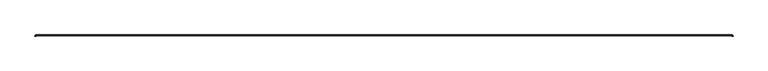
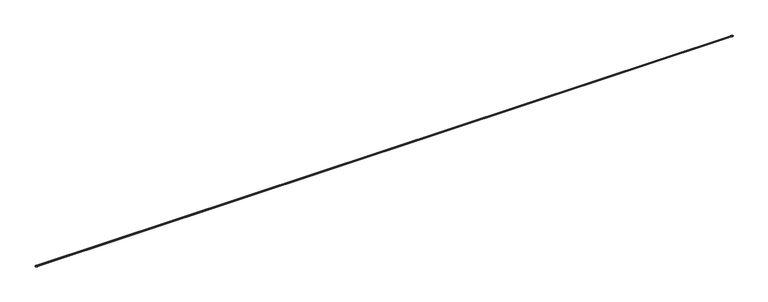
"""IFC4 building model written with IfcOpenShell, lengths in millimetres: railing geometry."""

from ifc_helpers import new_model, si_unit, point, frame, origin, place, context, project, spatial, polyline, circle_curve, ellipse_curve, trimmed, source, transform, mapped, element, save
from ifc_brep_helpers import plane_surface, cylinder_surface, revolved_surface, advanced_brep


def railing_9a63645b(model_context):
    return source(origin(), model_context, "Body", "AdvancedBrep", [
        advanced_brep(
        [(-23693.5336281, 84016.0821177, 686.9161888), (-23693.5336281, 84016.0821177, 684.62319), (-41981.5336281, 84016.0821177, 684.62319), (-41981.5336281, 84016.0821177, 686.9161888), (-23693.5336281, 84014.5577054, 686.9161888), (-41981.5336281, 84014.5577054, 686.9161888), (-23693.5336281, 84014.5577054, 684.7057909), (-41981.5336281, 84014.5577054, 684.7057909), (-23693.5336281, 84016.2867345, 683.110316), (-41981.5336281, 84016.2867345, 683.110316), (-23693.5336281, 84031.545755, 684.3382891), (-41981.5336281, 84031.545755, 684.3382891), (-23693.5336281, 84031.545755, 709.9720269), (-41981.5336281, 84031.545755, 709.9720269), (-23693.5336281, 84016.2867345, 711.2), (-41981.5336281, 84016.2867345, 711.2), (-23693.5336281, 84014.5577054, 709.6045251), (-41981.5336281, 84014.5577054, 709.6045251), (-23693.5336281, 84014.5577054, 707.3941273), (-41981.5336281, 84014.5577054, 707.3941273), (-23693.5336281, 84016.0821177, 707.3941273), (-41981.5336281, 84016.0821177, 707.3941273), (-23693.5336281, 84016.0821177, 709.687126), (-41981.5336281, 84016.0821177, 709.687126), (-23693.5336281, 84031.4079979, 708.4537724), (-41981.5336281, 84031.4079979, 708.4537724), (-23693.5336281, 84031.4079979, 685.8565437), (-41981.5336281, 84031.4079979, 685.8565437), (-23691.0668467, 84013.6153363, 709.687126), (-23691.0668467, 84013.6153363, 707.3941273), (-23675.7409665, 84013.6153363, 708.4537724), (-23675.7409665, 84013.6153363, 685.8565437), (-23691.0668467, 84013.6153363, 684.62319), (-23691.0668467, 84013.6153363, 686.9161888), (-23692.591259, 84013.6153363, 686.9161888), (-23692.591259, 84013.6153363, 684.7057909), (-23690.8622299, 84013.6153363, 683.110316), (-23675.6032094, 84013.6153363, 684.3382891), (-23675.6032094, 84013.6153363, 709.9720269), (-23690.8622299, 84013.6153363, 711.2), (-23692.591259, 84013.6153363, 709.6045251), (-23692.591259, 84013.6153363, 707.3941273), (-41984.0004095, 84013.6153363, 709.687126), (-41984.0004095, 84013.6153363, 707.3941273), (-41999.3262897, 84013.6153363, 708.4537724), (-41999.3262897, 84013.6153363, 685.8565437), (-41984.0004095, 84013.6153363, 684.62319), (-41984.0004095, 84013.6153363, 686.9161888), (-41982.4759972, 84013.6153363, 686.9161888), (-41982.4759972, 84013.6153363, 684.7057909), (-41984.2050263, 84013.6153363, 683.110316), (-41999.4640468, 84013.6153363, 684.3382891), (-41999.4640468, 84013.6153363, 709.9720269), (-41984.2050263, 84013.6153363, 711.2), (-41982.4759972, 84013.6153363, 709.6045251), (-41982.4759972, 84013.6153363, 707.3941273)],
        [
            (0, 1),
            (1, 2),
            (2, 3),
            (3, 0),
            (4, 0, circle_curve(frame((-23693.5336281, 84015.3199115, 686.9161888), z_axis=(-1.0, 0.0, 0.0), x_axis=(0.0, 1.0, 0.0)), 0.7622061)),
            (3, 5, circle_curve(frame((-41981.5336281, 84015.3199115, 686.9161888), z_axis=(1.0, 0.0, 0.0), x_axis=(0.0, 1.0, 0.0)), 0.7622061)),
            (5, 4),
            (6, 4),
            (5, 7),
            (7, 6),
            (8, 6, circle_curve(frame((-23693.5336281, 84016.1583383, 684.7057909), z_axis=(-1.0, 0.0, 0.0), x_axis=(0.0, 1.0, 0.0)), 1.6006329)),
            (7, 9, circle_curve(frame((-41981.5336281, 84016.1583383, 684.7057909), z_axis=(1.0, 0.0, 0.0), x_axis=(0.0, 1.0, 0.0)), 1.6006329)),
            (9, 8),
            (10, 8),
            (9, 11),
            (11, 10),
            (12, 10, circle_curve(frame((-23693.5336281, 84030.259152, 697.155158), z_axis=(-1.0, 0.0, 0.0), x_axis=(0.0, 1.0, 0.0)), 12.8812839)),
            (11, 13, circle_curve(frame((-41981.5336281, 84030.259152, 697.155158), z_axis=(1.0, 0.0, 0.0), x_axis=(0.0, 1.0, 0.0)), 12.8812839)),
            (13, 12),
            (14, 12),
            (13, 15),
            (15, 14),
            (16, 14, circle_curve(frame((-23693.5336281, 84016.1583383, 709.6045251), z_axis=(-1.0, 0.0, 0.0), x_axis=(0.0, 1.0, 0.0)), 1.6006329)),
            (15, 17, circle_curve(frame((-41981.5336281, 84016.1583383, 709.6045251), z_axis=(1.0, 0.0, 0.0), x_axis=(0.0, 1.0, 0.0)), 1.6006329)),
            (17, 16),
            (18, 16),
            (17, 19),
            (19, 18),
            (20, 18, circle_curve(frame((-23693.5336281, 84015.3199115, 707.3941273), z_axis=(-1.0, 0.0, 0.0), x_axis=(0.0, 1.0, 0.0)), 0.7622061)),
            (19, 21, circle_curve(frame((-41981.5336281, 84015.3199115, 707.3941273), z_axis=(1.0, 0.0, 0.0), x_axis=(0.0, 1.0, 0.0)), 0.7622061)),
            (21, 20),
            (22, 20),
            (21, 23),
            (23, 22),
            (24, 22),
            (23, 25),
            (25, 24),
            (26, 24, circle_curve(frame((-23693.5336281, 84030.259152, 697.155158), z_axis=(1.0, 0.0, 0.0), x_axis=(0.0, 1.0, 0.0)), 11.3568716)),
            (25, 27, circle_curve(frame((-41981.5336281, 84030.259152, 697.155158), z_axis=(-1.0, 0.0, 0.0), x_axis=(0.0, 1.0, 0.0)), 11.3568716)),
            (27, 26),
            (1, 26),
            (27, 2),
            (22, 28, circle_curve(frame((-23693.5336281, 84013.6153363, 709.687126), z_axis=(0.0, 0.0, -1.0), x_axis=(1.0, 6.173170795347768e-11, 0.0)), 2.4667814)),
            (28, 29),
            (29, 20, circle_curve(frame((-23693.5336281, 84013.6153363, 707.3941273), z_axis=(0.0, 0.0, 1.0), x_axis=(1.0, 6.173170795347768e-11, 0.0)), 2.4667814)),
            (24, 30, circle_curve(frame((-23693.5336281, 84013.6153363, 708.4537724), z_axis=(0.0, 0.0, -1.0), x_axis=(1.0, 6.173170795347768e-11, 0.0)), 17.7926616)),
            (30, 28),
            (26, 31, circle_curve(frame((-23693.5336281, 84013.6153363, 685.8565437), z_axis=(0.0, 0.0, -1.0), x_axis=(1.0, 6.173170795347768e-11, 0.0)), 17.7926616)),
            (31, 30, circle_curve(frame((-23676.8898123, 84013.6153363, 697.155158), z_axis=(6.173170795347768e-11, -1.0, 0.0), x_axis=(1.0, 6.173170795347768e-11, 0.0)), 11.3568716)),
            (1, 32, circle_curve(frame((-23693.5336281, 84013.6153363, 684.62319), z_axis=(0.0, 0.0, -1.0), x_axis=(1.0, 6.173170795347768e-11, 0.0)), 2.4667814)),
            (32, 31),
            (0, 33, circle_curve(frame((-23693.5336281, 84013.6153363, 686.9161888), z_axis=(0.0, 0.0, -1.0), x_axis=(1.0, 6.173170795347768e-11, 0.0)), 2.4667814)),
            (33, 32),
            (4, 34, circle_curve(frame((-23693.5336281, 84013.6153363, 686.9161888), z_axis=(0.0, 0.0, -1.0), x_axis=(1.0, 6.173170795347768e-11, 0.0)), 0.9423691)),
            (34, 33, circle_curve(frame((-23691.8290529, 84013.6153363, 686.9161888), z_axis=(-6.173170795347768e-11, 1.0, 0.0), x_axis=(1.0, 6.173170795347768e-11, 0.0)), 0.7622061)),
            (6, 35, circle_curve(frame((-23693.5336281, 84013.6153363, 684.7057909), z_axis=(0.0, 0.0, -1.0), x_axis=(1.0, 6.173170795347768e-11, 0.0)), 0.9423691)),
            (35, 34),
            (8, 36, circle_curve(frame((-23693.5336281, 84013.6153363, 683.110316), z_axis=(0.0, 0.0, -1.0), x_axis=(1.0, 6.173170795347768e-11, 0.0)), 2.6713982)),
            (36, 35, circle_curve(frame((-23690.9906261, 84013.6153363, 684.7057909), z_axis=(-6.173170795347768e-11, 1.0, 0.0), x_axis=(1.0, 6.173170795347768e-11, 0.0)), 1.6006329)),
            (10, 37, circle_curve(frame((-23693.5336281, 84013.6153363, 684.3382891), z_axis=(0.0, 0.0, -1.0), x_axis=(1.0, 6.173170795347768e-11, 0.0)), 17.9304187)),
            (37, 36),
            (12, 38, circle_curve(frame((-23693.5336281, 84013.6153363, 709.9720269), z_axis=(0.0, 0.0, -1.0), x_axis=(1.0, 6.173170795347768e-11, 0.0)), 17.9304187)),
            (38, 37, circle_curve(frame((-23676.8898123, 84013.6153363, 697.155158), z_axis=(-6.173170795347768e-11, 1.0, 0.0), x_axis=(1.0, 6.173170795347768e-11, 0.0)), 12.8812839)),
            (14, 39, circle_curve(frame((-23693.5336281, 84013.6153363, 711.2), z_axis=(0.0, 0.0, -1.0), x_axis=(1.0, 6.173170795347768e-11, 0.0)), 2.6713982)),
            (39, 38),
            (16, 40, circle_curve(frame((-23693.5336281, 84013.6153363, 709.6045251), z_axis=(0.0, 0.0, -1.0), x_axis=(1.0, 6.173170795347768e-11, 0.0)), 0.9423691)),
            (40, 39, circle_curve(frame((-23690.9906261, 84013.6153363, 709.6045251), z_axis=(-6.173170795347768e-11, 1.0, 0.0), x_axis=(1.0, 6.173170795347768e-11, 0.0)), 1.6006329)),
            (18, 41, circle_curve(frame((-23693.5336281, 84013.6153363, 707.3941273), z_axis=(0.0, 0.0, -1.0), x_axis=(1.0, 6.173170795347768e-11, 0.0)), 0.9423691)),
            (41, 40),
            (29, 41, circle_curve(frame((-23691.8290529, 84013.6153363, 707.3941273), z_axis=(-6.173170795347768e-11, 1.0, 0.0), x_axis=(1.0, 6.173170795347768e-11, 0.0)), 0.7622061)),
            (42, 23, circle_curve(frame((-41981.5336281, 84013.6153363, 709.687126), z_axis=(0.0, 0.0, -1.0), x_axis=(0.0, 1.0, 0.0)), 2.4667814)),
            (21, 43, circle_curve(frame((-41981.5336281, 84013.6153363, 707.3941273), z_axis=(0.0, 0.0, 1.0), x_axis=(0.0, 1.0, 0.0)), 2.4667814)),
            (43, 42),
            (44, 25, circle_curve(frame((-41981.5336281, 84013.6153363, 708.4537724), z_axis=(0.0, 0.0, -1.0), x_axis=(0.0, 1.0, 0.0)), 17.7926616)),
            (42, 44),
            (45, 27, circle_curve(frame((-41981.5336281, 84013.6153363, 685.8565437), z_axis=(0.0, 0.0, -1.0), x_axis=(0.0, 1.0, 0.0)), 17.7926616)),
            (44, 45, circle_curve(frame((-41998.1774438, 84013.6153363, 697.155158), z_axis=(-6.23209376397786e-11, -1.0, 0.0), x_axis=(-1.0, 6.23209376397786e-11, 0.0)), 11.3568716)),
            (46, 2, circle_curve(frame((-41981.5336281, 84013.6153363, 684.62319), z_axis=(0.0, 0.0, -1.0), x_axis=(0.0, 1.0, 0.0)), 2.4667814)),
            (45, 46),
            (47, 3, circle_curve(frame((-41981.5336281, 84013.6153363, 686.9161888), z_axis=(0.0, 0.0, -1.0), x_axis=(0.0, 1.0, 0.0)), 2.4667814)),
            (46, 47),
            (48, 5, circle_curve(frame((-41981.5336281, 84013.6153363, 686.9161888), z_axis=(0.0, 0.0, -1.0), x_axis=(0.0, 1.0, 0.0)), 0.9423691)),
            (47, 48, circle_curve(frame((-41983.2382033, 84013.6153363, 686.9161888), z_axis=(6.321311286236737e-11, 1.0, 0.0), x_axis=(-1.0, 6.321311286236737e-11, 0.0)), 0.7622061)),
            (49, 7, circle_curve(frame((-41981.5336281, 84013.6153363, 684.7057909), z_axis=(0.0, 0.0, -1.0), x_axis=(0.0, 1.0, 0.0)), 0.9423691)),
            (48, 49),
            (50, 9, circle_curve(frame((-41981.5336281, 84013.6153363, 683.110316), z_axis=(0.0, 0.0, -1.0), x_axis=(0.0, 1.0, 0.0)), 2.6713982)),
            (49, 50, circle_curve(frame((-41984.0766301, 84013.6153363, 684.7057909), z_axis=(7.354173970506013e-11, 1.0, 0.0), x_axis=(-1.0, 7.354173970506013e-11, 0.0)), 1.6006329)),
            (51, 11, circle_curve(frame((-41981.5336281, 84013.6153363, 684.3382891), z_axis=(0.0, 0.0, -1.0), x_axis=(0.0, 1.0, 0.0)), 17.9304187)),
            (50, 51),
            (52, 13, circle_curve(frame((-41981.5336281, 84013.6153363, 709.9720269), z_axis=(0.0, 0.0, -1.0), x_axis=(0.0, 1.0, 0.0)), 17.9304187)),
            (51, 52, circle_curve(frame((-41998.1774438, 84013.6153363, 697.155158), z_axis=(6.184220947156023e-11, 1.0, 0.0), x_axis=(-1.0, 6.184220947156023e-11, 0.0)), 12.8812839)),
            (53, 15, circle_curve(frame((-41981.5336281, 84013.6153363, 711.2), z_axis=(0.0, 0.0, -1.0), x_axis=(0.0, 1.0, 0.0)), 2.6713982)),
            (52, 53),
            (54, 17, circle_curve(frame((-41981.5336281, 84013.6153363, 709.6045251), z_axis=(0.0, 0.0, -1.0), x_axis=(0.0, 1.0, 0.0)), 0.9423691)),
            (53, 54, circle_curve(frame((-41984.0766301, 84013.6153363, 709.6045251), z_axis=(6.485690907262738e-11, 1.0, 0.0), x_axis=(-1.0, 6.485690907262738e-11, 0.0)), 1.6006329)),
            (55, 19, circle_curve(frame((-41981.5336281, 84013.6153363, 707.3941273), z_axis=(0.0, 0.0, -1.0), x_axis=(0.0, 1.0, 0.0)), 0.9423691)),
            (54, 55),
            (55, 43, circle_curve(frame((-41983.2382033, 84013.6153363, 707.3941273), z_axis=(7.354173970506013e-11, 1.0, 0.0), x_axis=(-1.0, 7.354173970506013e-11, 0.0)), 0.7622061)),
        ],
        [
            plane_surface(frame((-23693.5336281, 84016.0821177, 684.62319), z_axis=(0.0, 1.0, 0.0), x_axis=(-1.0, 0.0, 0.0))),
            cylinder_surface(frame((-23693.5336281, 84015.3199115, 686.9161888), z_axis=(1.0, 0.0, 0.0), x_axis=(0.0, 1.0, 0.0)), 0.7622061),
            plane_surface(frame((-23693.5336281, 84014.5577054, 686.9161888), z_axis=(0.0, -1.0, 0.0), x_axis=(-1.0, 0.0, 0.0))),
            cylinder_surface(frame((-23693.5336281, 84016.1583383, 684.7057909), z_axis=(1.0, 0.0, 0.0), x_axis=(0.0, 1.0, 0.0)), 1.6006329),
            plane_surface(frame((-23693.5336281, 84016.2867345, 683.110316), z_axis=(0.0, 0.0802158941392361, -0.9967775129523353), x_axis=(-1.0, 0.0, 0.0))),
            cylinder_surface(frame((-23693.5336281, 84030.259152, 697.155158), z_axis=(1.0, 0.0, 0.0), x_axis=(0.0, 1.0, 0.0)), 12.8812839),
            plane_surface(frame((-23693.5336281, 84031.545755, 709.9720269), z_axis=(0.0, 0.08021589413923204, 0.9967775129523356), x_axis=(-1.0, 0.0, 0.0))),
            cylinder_surface(frame((-23693.5336281, 84016.1583383, 709.6045251), z_axis=(1.0, 0.0, 0.0), x_axis=(0.0, 1.0, 0.0)), 1.6006329),
            plane_surface(frame((-23693.5336281, 84014.5577054, 709.6045251), z_axis=(0.0, -1.0, 0.0), x_axis=(-1.0, 0.0, 0.0))),
            cylinder_surface(frame((-23693.5336281, 84015.3199115, 707.3941273), z_axis=(1.0, 0.0, 0.0), x_axis=(0.0, 1.0, 0.0)), 0.7622061),
            plane_surface(frame((-23693.5336281, 84016.0821177, 707.3941273), z_axis=(0.0, 1.0, 0.0), x_axis=(-1.0, 0.0, 0.0))),
            plane_surface(frame((-23693.5336281, 84016.0821177, 709.687126), z_axis=(0.0, -0.08021589413923706, -0.9967775129523353), x_axis=(-1.0, 0.0, 0.0))),
            revolved_surface(polyline([(-41981.5336281, 84041.6160236, 697.155158), (-23693.5336281, 84041.6160236, 697.155158)]), (-23693.5336281, 84030.259152, 697.155158), (-1.0, 0.0, 0.0)),
            plane_surface(frame((-23693.5336281, 84031.4079979, 685.8565437), z_axis=(0.0, -0.08021589413924558, 0.9967775129523345), x_axis=(-1.0, 0.0, 0.0))),
            cylinder_surface(frame((-23693.5336281, 84013.6153363, 711.2), z_axis=(0.0, 0.0, 1.0), x_axis=(1.0, 6.173170795347768e-11, 0.0)), 2.4667814),
            revolved_surface(polyline([(-23691.0668467, 84013.6153363, 709.687126), (-23675.7409665, 84013.6153363, 708.4537724)]), (-23693.5336281, 84013.6153363, 711.2), (0.0, 0.0, 1.0)),
            revolved_surface(trimmed(ellipse_curve(frame((-23676.8898123, 84013.6153363, 697.155158), z_axis=(-6.173170795347768e-11, 1.0, 0.0), x_axis=(1.0, 6.173170795347768e-11, 0.0)), 11.3568716, 11.3568716), [point((-23675.7409665, 84013.6153363, 708.4537724))], [point((-23675.7409665, 84013.6153363, 685.8565437))], True, "CARTESIAN"), (-23693.5336281, 84013.6153363, 711.2), (0.0, 0.0, 1.0)),
            revolved_surface(polyline([(-23675.7409665, 84013.6153363, 685.8565437), (-23691.0668467, 84013.6153363, 684.62319)]), (-23693.5336281, 84013.6153363, 711.2), (0.0, 0.0, 1.0)),
            revolved_surface(trimmed(ellipse_curve(frame((-23691.8290529, 84013.6153363, 686.9161888), z_axis=(6.173170795347768e-11, -1.0, 0.0), x_axis=(1.0, 6.173170795347768e-11, 0.0)), 0.7622061, 0.7622061), [point((-23691.0668467, 84013.6153363, 686.9161888))], [point((-23692.591259, 84013.6153363, 686.9161888))], True, "CARTESIAN"), (-23693.5336281, 84013.6153363, 711.2), (0.0, 0.0, 1.0)),
            revolved_surface(polyline([(-23692.591259, 84013.61533630006, 686.9161888), (-23692.591259, 84013.61533630006, 684.7057909)]), (-23693.5336281, 84013.6153363, 711.2), (0.0, 0.0, 1.0)),
            revolved_surface(trimmed(ellipse_curve(frame((-23690.9906261, 84013.6153363, 684.7057909), z_axis=(6.173170795347768e-11, -1.0, 0.0), x_axis=(1.0, 6.173170795347768e-11, 0.0)), 1.6006329, 1.6006329), [point((-23692.591259, 84013.6153363, 684.7057909))], [point((-23690.8622299, 84013.6153363, 683.110316))], True, "CARTESIAN"), (-23693.5336281, 84013.6153363, 711.2), (0.0, 0.0, 1.0)),
            revolved_surface(polyline([(-23690.8622299, 84013.6153363, 683.110316), (-23675.6032094, 84013.6153363, 684.3382891)]), (-23693.5336281, 84013.6153363, 711.2), (0.0, 0.0, 1.0)),
            revolved_surface(trimmed(ellipse_curve(frame((-23676.8898123, 84013.6153363, 697.155158), z_axis=(6.173170795347768e-11, -1.0, 0.0), x_axis=(1.0, 6.173170795347768e-11, 0.0)), 12.8812839, 12.8812839), [point((-23675.6032094, 84013.6153363, 684.3382891))], [point((-23675.6032094, 84013.6153363, 709.9720269))], True, "CARTESIAN"), (-23693.5336281, 84013.6153363, 711.2), (0.0, 0.0, 1.0)),
            revolved_surface(polyline([(-23675.6032094, 84013.6153363, 709.9720269), (-23690.8622299, 84013.6153363, 711.2)]), (-23693.5336281, 84013.6153363, 711.2), (0.0, 0.0, 1.0)),
            revolved_surface(trimmed(ellipse_curve(frame((-23690.9906261, 84013.6153363, 709.6045251), z_axis=(6.173170795347768e-11, -1.0, 0.0), x_axis=(1.0, 6.173170795347768e-11, 0.0)), 1.6006329, 1.6006329), [point((-23690.8622299, 84013.6153363, 711.2))], [point((-23692.591259, 84013.6153363, 709.6045251))], True, "CARTESIAN"), (-23693.5336281, 84013.6153363, 711.2), (0.0, 0.0, 1.0)),
            revolved_surface(polyline([(-23692.591259, 84013.61533630006, 709.6045251), (-23692.591259, 84013.61533630006, 707.3941273)]), (-23693.5336281, 84013.6153363, 711.2), (0.0, 0.0, 1.0)),
            revolved_surface(trimmed(ellipse_curve(frame((-23691.8290529, 84013.6153363, 707.3941273), z_axis=(6.173170795347768e-11, -1.0, 0.0), x_axis=(1.0, 6.173170795347768e-11, 0.0)), 0.7622061, 0.7622061), [point((-23692.591259, 84013.6153363, 707.3941273))], [point((-23691.0668467, 84013.6153363, 707.3941273))], True, "CARTESIAN"), (-23693.5336281, 84013.6153363, 711.2), (0.0, 0.0, 1.0)),
            plane_surface(frame((-23692.9723621, 84013.6153363, 711.2), z_axis=(6.173170795347768e-11, -1.0, 0.0), x_axis=(0.0, 0.0, 1.0))),
            cylinder_surface(frame((-41981.5336281, 84013.6153363, 711.2), z_axis=(0.0, 0.0, 1.0), x_axis=(0.0, 1.0, 0.0)), 2.4667814),
            revolved_surface(polyline([(-41981.5336281, 84016.0821177, 709.687126), (-41981.5336281, 84031.4079979, 708.4537724)]), (-41981.5336281, 84013.6153363, 711.2), (0.0, 0.0, 1.0)),
            revolved_surface(trimmed(ellipse_curve(frame((-41981.5336281, 84030.259152, 697.155158), z_axis=(-1.0, 0.0, 0.0), x_axis=(0.0, 1.0, 0.0)), 11.3568716, 11.3568716), [point((-41981.5336281, 84031.4079979, 708.4537724))], [point((-41981.5336281, 84031.4079979, 685.8565437))], True, "CARTESIAN"), (-41981.5336281, 84013.6153363, 711.2), (0.0, 0.0, 1.0)),
            revolved_surface(polyline([(-41981.5336281, 84031.4079979, 685.8565437), (-41981.5336281, 84016.0821177, 684.62319)]), (-41981.5336281, 84013.6153363, 711.2), (0.0, 0.0, 1.0)),
            revolved_surface(trimmed(ellipse_curve(frame((-41981.5336281, 84015.3199115, 686.9161888), z_axis=(1.0, 0.0, 0.0), x_axis=(0.0, 1.0, 0.0)), 0.7622061, 0.7622061), [point((-41981.5336281, 84016.0821177, 686.9161888))], [point((-41981.5336281, 84014.5577054, 686.9161888))], True, "CARTESIAN"), (-41981.5336281, 84013.6153363, 711.2), (0.0, 0.0, 1.0)),
            revolved_surface(polyline([(-41981.5336281, 84014.5577054, 686.9161888), (-41981.5336281, 84014.5577054, 684.7057909)]), (-41981.5336281, 84013.6153363, 711.2), (0.0, 0.0, 1.0)),
            revolved_surface(trimmed(ellipse_curve(frame((-41981.5336281, 84016.1583383, 684.7057909), z_axis=(1.0, 0.0, 0.0), x_axis=(0.0, 1.0, 0.0)), 1.6006329, 1.6006329), [point((-41981.5336281, 84014.5577054, 684.7057909))], [point((-41981.5336281, 84016.2867345, 683.110316))], True, "CARTESIAN"), (-41981.5336281, 84013.6153363, 711.2), (0.0, 0.0, 1.0)),
            revolved_surface(polyline([(-41981.5336281, 84016.2867345, 683.110316), (-41981.5336281, 84031.545755, 684.3382891)]), (-41981.5336281, 84013.6153363, 711.2), (0.0, 0.0, 1.0)),
            revolved_surface(trimmed(ellipse_curve(frame((-41981.5336281, 84030.259152, 697.155158), z_axis=(1.0, 0.0, 0.0), x_axis=(0.0, 1.0, 0.0)), 12.8812839, 12.8812839), [point((-41981.5336281, 84031.545755, 684.3382891))], [point((-41981.5336281, 84031.545755, 709.9720269))], True, "CARTESIAN"), (-41981.5336281, 84013.6153363, 711.2), (0.0, 0.0, 1.0)),
            revolved_surface(polyline([(-41981.5336281, 84031.545755, 709.9720269), (-41981.5336281, 84016.2867345, 711.2)]), (-41981.5336281, 84013.6153363, 711.2), (0.0, 0.0, 1.0)),
            revolved_surface(trimmed(ellipse_curve(frame((-41981.5336281, 84016.1583383, 709.6045251), z_axis=(1.0, 0.0, 0.0), x_axis=(0.0, 1.0, 0.0)), 1.6006329, 1.6006329), [point((-41981.5336281, 84016.2867345, 711.2))], [point((-41981.5336281, 84014.5577054, 709.6045251))], True, "CARTESIAN"), (-41981.5336281, 84013.6153363, 711.2), (0.0, 0.0, 1.0)),
            revolved_surface(polyline([(-41981.5336281, 84014.5577054, 709.6045251), (-41981.5336281, 84014.5577054, 707.3941273)]), (-41981.5336281, 84013.6153363, 711.2), (0.0, 0.0, 1.0)),
            revolved_surface(trimmed(ellipse_curve(frame((-41981.5336281, 84015.3199115, 707.3941273), z_axis=(1.0, 0.0, 0.0), x_axis=(0.0, 1.0, 0.0)), 0.7622061, 0.7622061), [point((-41981.5336281, 84014.5577054, 707.3941273))], [point((-41981.5336281, 84016.0821177, 707.3941273))], True, "CARTESIAN"), (-41981.5336281, 84013.6153363, 711.2), (0.0, 0.0, 1.0)),
            plane_surface(frame((-41982.0948941, 84013.6153363, 711.2), z_axis=(-6.173873668566518e-11, -1.0, 0.0), x_axis=(0.0, 0.0, -1.0))),
        ],
        [
            (0, [[1, 2, 3, 4]]),
            (1, [[5, -4, 6, 7]]),
            (2, [[8, -7, 9, 10]]),
            (3, [[11, -10, 12, 13]]),
            (4, [[14, -13, 15, 16]]),
            (5, [[17, -16, 18, 19]]),
            (6, [[20, -19, 21, 22]]),
            (7, [[23, -22, 24, 25]]),
            (8, [[26, -25, 27, 28]]),
            (9, [[29, -28, 30, 31]]),
            (10, [[32, -31, 33, 34]]),
            (11, [[35, -34, 36, 37]]),
            (12, [[38, -37, 39, 40]]),
            (13, [[41, -40, 42, -2]]),
            (14, [[43, 44, 45, -32]]),
            (15, [[46, 47, -43, -35]]),
            (16, [[48, 49, -46, -38]]),
            (17, [[50, 51, -48, -41]]),
            (14, [[52, 53, -50, -1]]),
            (18, [[54, 55, -52, -5]]),
            (19, [[56, 57, -54, -8]]),
            (20, [[58, 59, -56, -11]]),
            (21, [[60, 61, -58, -14]]),
            (22, [[62, 63, -60, -17]]),
            (23, [[64, 65, -62, -20]]),
            (24, [[66, 67, -64, -23]]),
            (25, [[68, 69, -66, -26]]),
            (26, [[-45, 70, -68, -29]]),
            (27, [[-44, -47, -49, -51, -53, -55, -57, -59, -61, -63, -65, -67, -69, -70]]),
            (28, [[71, -33, 72, 73]]),
            (29, [[74, -36, -71, 75]]),
            (30, [[76, -39, -74, 77]]),
            (31, [[78, -42, -76, 79]]),
            (28, [[80, -3, -78, 81]]),
            (32, [[82, -6, -80, 83]]),
            (33, [[84, -9, -82, 85]]),
            (34, [[86, -12, -84, 87]]),
            (35, [[88, -15, -86, 89]]),
            (36, [[90, -18, -88, 91]]),
            (37, [[92, -21, -90, 93]]),
            (38, [[94, -24, -92, 95]]),
            (39, [[96, -27, -94, 97]]),
            (40, [[-72, -30, -96, 98]]),
            (41, [[-98, -97, -95, -93, -91, -89, -87, -85, -83, -81, -79, -77, -75, -73]]),
        ],
    ),
    ])


if __name__ == "__main__":
    model = new_model("IFC4")
    model_context = context("Model", 3, world=origin())
    ifc_project = project(units=[si_unit("LENGTHUNIT", "METRE", prefix="MILLI")], contexts=[model_context])
    site = spatial("IfcSite", under=ifc_project)
    building = spatial("IfcBuilding", under=site)
    placement = place(None, origin())
    railing_shape = railing_9a63645b(model_context)
    element("IfcRailing", 1, at=placement, inside=building, context=model_context, shape_type="MappedRepresentation", body=[
        mapped(railing_shape, transform((0.0, 0.0, 0.0), x_axis=(1.0, 0.0, 0.0), y_axis=(0.0, 1.0, 0.0), z_axis=(0.0, 0.0, 1.0))),
    ])
    save(model, "model.ifc")
